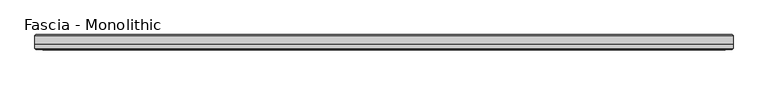
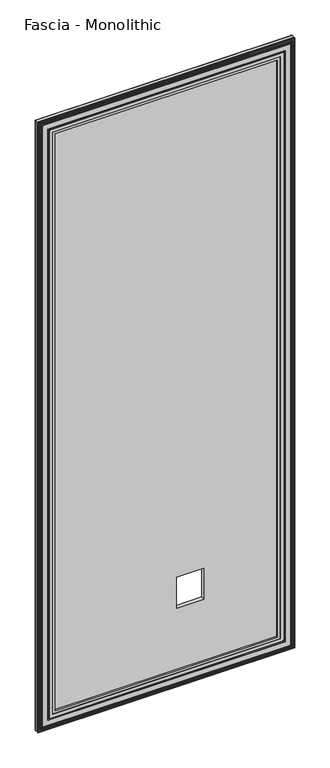
"""IFC4 building model written with IfcOpenShell, lengths in millimetres: proxy geometry, Fascia - Monolithic."""

from ifc_helpers import new_model, si_unit, frame, origin, place, context, project, spatial, ellipse_curve, source, transform, mapped, element, save
from ifc_brep_helpers import plane_surface, cylinder_surface, advanced_brep


def fascia_monolithic_cb484e58(model_context):
    return source(origin(), model_context, "Body", "AdvancedBrep", [
        advanced_brep(
        [(-550.053743, -15.8650077, 46.2434077), (-550.3231506, -16.7386, 45.974), (550.3231506, -16.7386, 45.974), (550.053743, -15.8650077, 46.2434077), (-551.2275583, -14.6911923, 45.0695923), (551.2275583, -14.6911923, 45.0695923), (-544.1409583, -15.8650077, 52.1561923), (-542.967143, -14.6911923, 53.3300077), (542.967143, -14.6911923, 53.3300077), (544.1409583, -15.8650077, 52.1561923), (-543.8715506, -16.7386, 52.4256), (543.8715506, -16.7386, 52.4256), (-527.5901506, -15.5956, 68.707), (-528.3521506, -16.7386, 67.945), (528.3521506, -16.7386, 67.945), (527.5901506, -15.5956, 68.707), (-515.2711506, -8.4836, 81.026), (-515.2711506, -15.5956, 81.026), (515.2711506, -15.5956, 81.026), (515.2711506, -8.4836, 81.026), (-596.2971506, -15.2146, 0.0), (-596.2971506, -8.4836, 0.0), (596.2971506, -8.4836, 0.0), (596.2971506, -15.2146, 0.0), (-594.7731506, -16.7386, 1.524), (594.7731506, -16.7386, 1.524), (-592.725743, -15.8650077, 3.5714077), (-592.9951506, -16.7386, 3.302), (592.9951506, -16.7386, 3.302), (592.725743, -15.8650077, 3.5714077), (-593.8995583, -14.6911923, 2.3975923), (593.8995583, -14.6911923, 2.3975923), (-586.8129583, -15.8650077, 9.4841923), (-585.639143, -14.6911923, 10.6580077), (585.639143, -14.6911923, 10.6580077), (586.8129583, -15.8650077, 9.4841923), (-586.5435506, -16.7386, 9.7536), (586.5435506, -16.7386, 9.7536), (-581.6540506, -16.7386, 14.6431), (-583.1780506, -16.7386, 13.1191), (583.1780506, -16.7386, 13.1191), (581.6540506, -16.7386, 14.6431), (-575.6850506, -16.7386, 20.6121), (-578.0980506, -16.7386, 18.1991), (578.0980506, -16.7386, 18.1991), (575.6850506, -16.7386, 20.6121), (550.3231506, -16.7386, 2946.7494), (550.053743, -15.8650077, 2946.4799923), (551.2275583, -14.6911923, 2947.6538077), (542.967143, -14.6911923, 2939.3933923), (544.1409583, -15.8650077, 2940.5672077), (543.8715506, -16.7386, 2940.2978), (528.3521506, -16.7386, 2924.7784), (527.5901506, -15.5956, 2924.0164), (515.2711506, -15.5956, 2911.6974), (515.2711506, -8.4836, 2911.6974), (596.2971506, -8.4836, 2992.7234), (596.2971506, -15.2146, 2992.7234), (594.7731506, -16.7386, 2991.1994), (592.9951506, -16.7386, 2989.4214), (592.725743, -15.8650077, 2989.1519923), (593.8995583, -14.6911923, 2990.3258077), (585.639143, -14.6911923, 2982.0653923), (586.8129583, -15.8650077, 2983.2392077), (586.5435506, -16.7386, 2982.9698), (583.1780506, -16.7386, 2979.6043), (581.6540506, -16.7386, 2978.0803), (578.0980506, -16.7386, 2974.5243), (575.6850506, -16.7386, 2972.1113), (-550.3231506, -16.7386, 2946.7494), (-550.053743, -15.8650077, 2946.4799923), (-551.2275583, -14.6911923, 2947.6538077), (-542.967143, -14.6911923, 2939.3933923), (-544.1409583, -15.8650077, 2940.5672077), (-543.8715506, -16.7386, 2940.2978), (-528.3521506, -16.7386, 2924.7784), (-527.5901506, -15.5956, 2924.0164), (-515.2711506, -15.5956, 2911.6974), (-515.2711506, -8.4836, 2911.6974), (-596.2971506, -8.4836, 2992.7234), (-596.2971506, -15.2146, 2992.7234), (-594.7731506, -16.7386, 2991.1994), (-592.9951506, -16.7386, 2989.4214), (-592.725743, -15.8650077, 2989.1519923), (-593.8995583, -14.6911923, 2990.3258077), (-585.639143, -14.6911923, 2982.0653923), (-586.8129583, -15.8650077, 2983.2392077), (-586.5435506, -16.7386, 2982.9698), (-583.1780506, -16.7386, 2979.6043), (-581.6540506, -16.7386, 2978.0803), (-578.0980506, -16.7386, 2974.5243), (-575.6850506, -16.7386, 2972.1113)],
        [
            (0, 1, ellipse_curve(frame((-550.4193353, -16.2306, 45.8778154), z_axis=(0.7071067811865475, 0.0, -0.7071067811865475), x_axis=(-0.7071067811865476, 0.0, -0.7071067811865474)), 0.7311846, 0.5170256)),
            (1, 2),
            (2, 3, ellipse_curve(frame((550.4193353, -16.2306, 45.8778154), z_axis=(-0.7071067811865475, 0.0, -0.7071067811865475), x_axis=(-0.7071067811865476, 0.0, 0.7071067811865474)), 0.7311846, 0.5170256)),
            (3, 0),
            (4, 0),
            (3, 5),
            (5, 4),
            (6, 7),
            (7, 8),
            (8, 9),
            (9, 6),
            (10, 6, ellipse_curve(frame((-543.775366, -16.2306, 52.5217846), z_axis=(0.7071067811865475, 0.0, -0.7071067811865475), x_axis=(-0.7071067811865476, 0.0, -0.7071067811865474)), 0.7311846, 0.5170256)),
            (9, 11, ellipse_curve(frame((543.775366, -16.2306, 52.5217846), z_axis=(-0.7071067811865475, 0.0, -0.7071067811865475), x_axis=(-0.7071067811865476, 0.0, 0.7071067811865474)), 0.7311846, 0.5170256)),
            (11, 10),
            (12, 13),
            (13, 14),
            (14, 15),
            (15, 12),
            (16, 17),
            (17, 18),
            (18, 19),
            (19, 16),
            (20, 21),
            (21, 22),
            (22, 23),
            (23, 20),
            (24, 20),
            (23, 25),
            (25, 24),
            (26, 27, ellipse_curve(frame((-593.0913353, -16.2306, 3.2058154), z_axis=(0.7071067811865475, 0.0, -0.7071067811865475), x_axis=(-0.7071067811865476, 0.0, -0.7071067811865474)), 0.7311846, 0.5170256)),
            (27, 28),
            (28, 29, ellipse_curve(frame((593.0913353, -16.2306, 3.2058154), z_axis=(-0.7071067811865475, 0.0, -0.7071067811865475), x_axis=(-0.7071067811865476, 0.0, 0.7071067811865474)), 0.7311846, 0.5170256)),
            (29, 26),
            (30, 26),
            (29, 31),
            (31, 30),
            (32, 33),
            (33, 34),
            (34, 35),
            (35, 32),
            (36, 32, ellipse_curve(frame((-586.447366, -16.2306, 9.8497846), z_axis=(0.7071067811865475, 0.0, -0.7071067811865475), x_axis=(-0.7071067811865476, 0.0, -0.7071067811865474)), 0.7311846, 0.5170256)),
            (35, 37, ellipse_curve(frame((586.447366, -16.2306, 9.8497846), z_axis=(-0.7071067811865475, 0.0, -0.7071067811865475), x_axis=(-0.7071067811865476, 0.0, 0.7071067811865474)), 0.7311846, 0.5170256)),
            (37, 36),
            (38, 39, ellipse_curve(frame((-582.4160506, -16.7386, 13.8811), z_axis=(0.7071067811865475, 0.0, -0.7071067811865475), x_axis=(-0.7071067811865476, 0.0, -0.7071067811865474)), 1.0776307, 0.762)),
            (39, 40),
            (40, 41, ellipse_curve(frame((582.4160506, -16.7386, 13.8811), z_axis=(-0.7071067811865475, 0.0, -0.7071067811865475), x_axis=(-0.7071067811865476, 0.0, 0.7071067811865474)), 1.0776307, 0.762)),
            (41, 38),
            (42, 43, ellipse_curve(frame((-576.8915506, -16.0202269, 19.4056), z_axis=(0.7071067811865475, 0.0, -0.7071067811865475), x_axis=(-0.7071067811865476, 0.0, -0.7071067811865474)), 1.9858007, 1.4041731)),
            (43, 44),
            (44, 45, ellipse_curve(frame((576.8915506, -16.0202269, 19.4056), z_axis=(-0.7071067811865475, 0.0, -0.7071067811865475), x_axis=(-0.7071067811865476, 0.0, 0.7071067811865474)), 1.9858007, 1.4041731)),
            (45, 42),
            (2, 46),
            (46, 47, ellipse_curve(frame((550.4193353, -16.2306, 2946.8455846), z_axis=(0.7071067811865475, 0.0, -0.7071067811865475), x_axis=(-0.7071067811865474, 0.0, -0.7071067811865476)), 0.7311846, 0.5170256)),
            (47, 3),
            (47, 48),
            (48, 5),
            (8, 49),
            (49, 50),
            (50, 9),
            (50, 51, ellipse_curve(frame((543.775366, -16.2306, 2940.2016154), z_axis=(0.7071067811865475, 0.0, -0.7071067811865475), x_axis=(-0.7071067811865474, 0.0, -0.7071067811865476)), 0.7311846, 0.5170256)),
            (51, 11),
            (14, 52),
            (52, 53),
            (53, 15),
            (18, 54),
            (54, 55),
            (55, 19),
            (22, 56),
            (56, 57),
            (57, 23),
            (57, 58),
            (58, 25),
            (28, 59),
            (59, 60, ellipse_curve(frame((593.0913353, -16.2306, 2989.5175846), z_axis=(0.7071067811865475, 0.0, -0.7071067811865475), x_axis=(-0.7071067811865474, 0.0, -0.7071067811865476)), 0.7311846, 0.5170256)),
            (60, 29),
            (60, 61),
            (61, 31),
            (34, 62),
            (62, 63),
            (63, 35),
            (63, 64, ellipse_curve(frame((586.447366, -16.2306, 2982.8736154), z_axis=(0.7071067811865475, 0.0, -0.7071067811865475), x_axis=(-0.7071067811865474, 0.0, -0.7071067811865476)), 0.7311846, 0.5170256)),
            (64, 37),
            (40, 65),
            (65, 66, ellipse_curve(frame((582.4160506, -16.7386, 2978.8423), z_axis=(0.7071067811865475, 0.0, -0.7071067811865475), x_axis=(-0.7071067811865474, 0.0, -0.7071067811865476)), 1.0776307, 0.762)),
            (66, 41),
            (44, 67),
            (67, 68, ellipse_curve(frame((576.8915506, -16.0202269, 2973.3178), z_axis=(0.7071067811865475, 0.0, -0.7071067811865475), x_axis=(-0.7071067811865474, 0.0, -0.7071067811865476)), 1.9858007, 1.4041731)),
            (68, 45),
            (46, 69),
            (69, 70, ellipse_curve(frame((-550.4193353, -16.2306, 2946.8455846), z_axis=(0.7071067811865475, 0.0, 0.7071067811865475), x_axis=(0.7071067811865476, 0.0, -0.7071067811865474)), 0.7311846, 0.5170256)),
            (70, 47),
            (70, 71),
            (71, 48),
            (49, 72),
            (72, 73),
            (73, 50),
            (73, 74, ellipse_curve(frame((-543.775366, -16.2306, 2940.2016154), z_axis=(0.7071067811865475, 0.0, 0.7071067811865475), x_axis=(0.7071067811865476, 0.0, -0.7071067811865474)), 0.7311846, 0.5170256)),
            (74, 51),
            (52, 75),
            (75, 76),
            (76, 53),
            (54, 77),
            (77, 78),
            (78, 55),
            (56, 79),
            (79, 80),
            (80, 57),
            (80, 81),
            (81, 58),
            (59, 82),
            (82, 83, ellipse_curve(frame((-593.0913353, -16.2306, 2989.5175846), z_axis=(0.7071067811865475, 0.0, 0.7071067811865475), x_axis=(0.7071067811865476, 0.0, -0.7071067811865474)), 0.7311846, 0.5170256)),
            (83, 60),
            (83, 84),
            (84, 61),
            (62, 85),
            (85, 86),
            (86, 63),
            (86, 87, ellipse_curve(frame((-586.447366, -16.2306, 2982.8736154), z_axis=(0.7071067811865475, 0.0, 0.7071067811865475), x_axis=(0.7071067811865476, 0.0, -0.7071067811865474)), 0.7311846, 0.5170256)),
            (87, 64),
            (65, 88),
            (88, 89, ellipse_curve(frame((-582.4160506, -16.7386, 2978.8423), z_axis=(0.7071067811865475, 0.0, 0.7071067811865475), x_axis=(0.7071067811865476, 0.0, -0.7071067811865474)), 1.0776307, 0.762)),
            (89, 66),
            (67, 90),
            (90, 91, ellipse_curve(frame((-576.8915506, -16.0202269, 2973.3178), z_axis=(0.7071067811865475, 0.0, 0.7071067811865475), x_axis=(0.7071067811865476, 0.0, -0.7071067811865474)), 1.9858007, 1.4041731)),
            (91, 68),
            (91, 42),
            (1, 69),
            (0, 70),
            (4, 71),
            (7, 72),
            (6, 73),
            (10, 74),
            (13, 75),
            (12, 76),
            (17, 77),
            (16, 78),
            (21, 79),
            (20, 80),
            (24, 81),
            (27, 82),
            (26, 83),
            (30, 84),
            (33, 85),
            (32, 86),
            (36, 87),
            (39, 88),
            (38, 89),
            (43, 90),
        ],
        [
            cylinder_surface(frame((-596.2971506, -16.2306, 45.8778154), z_axis=(-1.0, 0.0, 0.0), x_axis=(0.0, 0.0, 1.0)), 0.5170256),
            plane_surface(frame((-550.053743, -15.8650077, 46.2434077), z_axis=(0.0, 0.7071067813016592, 0.7071067810714359), x_axis=(1.0, 0.0, 0.0))),
            plane_surface(frame((-542.967143, -14.6911923, 53.3300077), z_axis=(0.0, 0.7071067813016237, -0.7071067810714713), x_axis=(1.0, 0.0, 0.0))),
            cylinder_surface(frame((-596.2971506, -16.2306, 52.5217846), z_axis=(-1.0, 0.0, 0.0), x_axis=(0.0, 0.0, 1.0)), 0.5170256),
            plane_surface(frame((-528.3521506, -16.7386, 67.945), z_axis=(0.0, -0.554700195976685, 0.8320502945035398), x_axis=(1.0, 0.0, 0.0))),
            plane_surface(frame((-515.2711506, -15.5956, 81.026), z_axis=(0.0, 0.0, 1.0), x_axis=(1.0, 0.0, 0.0))),
            plane_surface(frame((-596.2971506, -8.4836, 0.0), z_axis=(0.0, 0.0, -1.0), x_axis=(1.0, 0.0, 0.0))),
            plane_surface(frame((-596.2971506, -15.2146, 0.0), z_axis=(0.0, -0.7071067811865392, -0.7071067811865558), x_axis=(1.0, 0.0, 0.0))),
            cylinder_surface(frame((-596.2971506, -16.2306, 3.2058154), z_axis=(-1.0, 0.0, 0.0), x_axis=(0.0, 0.0, 1.0)), 0.5170256),
            plane_surface(frame((-592.725743, -15.8650077, 3.5714077), z_axis=(0.0, 0.707106781113895, 0.7071067812592001), x_axis=(1.0, 0.0, 0.0))),
            plane_surface(frame((-585.639143, -14.6911923, 10.6580077), z_axis=(0.0, 0.7071067811880475, -0.7071067811850476), x_axis=(1.0, 0.0, 0.0))),
            cylinder_surface(frame((-596.2971506, -16.2306, 9.8497846), z_axis=(-1.0, 0.0, 0.0), x_axis=(0.0, 0.0, 1.0)), 0.5170256),
            cylinder_surface(frame((-596.2971506, -16.7386, 13.8811), z_axis=(-1.0, 0.0, 0.0), x_axis=(0.0, 0.0, 1.0)), 0.762),
            cylinder_surface(frame((-596.2971506, -16.0202269, 19.4056), z_axis=(-1.0, 0.0, 0.0), x_axis=(0.0, 0.0, 1.0)), 1.4041731),
            cylinder_surface(frame((550.4193353, -16.2306, 0.0), z_axis=(0.0, 0.0, -1.0), x_axis=(-1.0, 0.0, 0.0)), 0.5170256),
            plane_surface(frame((550.053743, -15.8650077, 46.2434077), z_axis=(-0.7071067810714261, 0.7071067813016689, 0.0), x_axis=(0.0, 0.0, 1.0))),
            plane_surface(frame((542.967143, -14.6911923, 53.3300077), z_axis=(0.7071067810714811, 0.707106781301614, 0.0), x_axis=(0.0, 0.0, 1.0))),
            cylinder_surface(frame((543.775366, -16.2306, 0.0), z_axis=(0.0, 0.0, -1.0), x_axis=(-1.0, 0.0, 0.0)), 0.5170256),
            plane_surface(frame((528.3521506, -16.7386, 67.945), z_axis=(-0.8320502945035475, -0.5547001959766734, 0.0), x_axis=(0.0, 0.0, 1.0))),
            plane_surface(frame((515.2711506, -15.5956, 81.026), z_axis=(-1.0, 0.0, 0.0), x_axis=(0.0, 0.0, 1.0))),
            plane_surface(frame((596.2971506, -8.4836, 0.0), z_axis=(1.0, 0.0, 0.0), x_axis=(0.0, 0.0, 1.0))),
            plane_surface(frame((596.2971506, -15.2146, 0.0), z_axis=(0.707106781186546, -0.707106781186549, 0.0), x_axis=(0.0, 0.0, 1.0))),
            cylinder_surface(frame((593.0913353, -16.2306, 0.0), z_axis=(0.0, 0.0, -1.0), x_axis=(-1.0, 0.0, 0.0)), 0.5170256),
            plane_surface(frame((592.725743, -15.8650077, 3.5714077), z_axis=(-0.7071067812591904, 0.7071067811139048, 0.0), x_axis=(0.0, 0.0, 1.0))),
            plane_surface(frame((585.639143, -14.6911923, 10.6580077), z_axis=(0.7071067811850573, 0.7071067811880377, 0.0), x_axis=(0.0, 0.0, 1.0))),
            cylinder_surface(frame((586.447366, -16.2306, 0.0), z_axis=(0.0, 0.0, -1.0), x_axis=(-1.0, 0.0, 0.0)), 0.5170256),
            cylinder_surface(frame((582.4160506, -16.7386, 0.0), z_axis=(0.0, 0.0, -1.0), x_axis=(-1.0, 0.0, 0.0)), 0.762),
            cylinder_surface(frame((576.8915506, -16.0202269, 0.0), z_axis=(0.0, 0.0, -1.0), x_axis=(-1.0, 0.0, 0.0)), 1.4041731),
            cylinder_surface(frame((596.2971506, -16.2306, 2946.8455846), z_axis=(1.0, 0.0, 0.0), x_axis=(0.0, 0.0, -1.0)), 0.5170256),
            plane_surface(frame((550.053743, -15.8650077, 2946.4799923), z_axis=(0.0, 0.7071067813016787, -0.7071067810714163), x_axis=(-1.0, 0.0, 0.0))),
            plane_surface(frame((542.967143, -14.6911923, 2939.3933923), z_axis=(0.0, 0.7071067813016042, 0.7071067810714908), x_axis=(-1.0, 0.0, 0.0))),
            cylinder_surface(frame((596.2971506, -16.2306, 2940.2016154), z_axis=(1.0, 0.0, 0.0), x_axis=(0.0, 0.0, -1.0)), 0.5170256),
            plane_surface(frame((528.3521506, -16.7386, 2924.7784), z_axis=(0.0, -0.5547001959766619, -0.8320502945035552), x_axis=(-1.0, 0.0, 0.0))),
            plane_surface(frame((515.2711506, -15.5956, 2911.6974), z_axis=(0.0, 0.0, -1.0), x_axis=(-1.0, 0.0, 0.0))),
            plane_surface(frame((596.2971506, -8.4836, 2992.7234), z_axis=(0.0, 0.0, 1.0), x_axis=(-1.0, 0.0, 0.0))),
            plane_surface(frame((596.2971506, -15.2146, 2992.7234), z_axis=(0.0, -0.7071067811865588, 0.7071067811865362), x_axis=(-1.0, 0.0, 0.0))),
            cylinder_surface(frame((596.2971506, -16.2306, 2989.5175846), z_axis=(1.0, 0.0, 0.0), x_axis=(0.0, 0.0, -1.0)), 0.5170256),
            plane_surface(frame((592.725743, -15.8650077, 2989.1519923), z_axis=(0.0, 0.7071067811139146, -0.7071067812591806), x_axis=(-1.0, 0.0, 0.0))),
            plane_surface(frame((585.639143, -14.6911923, 2982.0653923), z_axis=(0.0, 0.7071067811880279, 0.7071067811850671), x_axis=(-1.0, 0.0, 0.0))),
            cylinder_surface(frame((596.2971506, -16.2306, 2982.8736154), z_axis=(1.0, 0.0, 0.0), x_axis=(0.0, 0.0, -1.0)), 0.5170256),
            cylinder_surface(frame((596.2971506, -16.7386, 2978.8423), z_axis=(1.0, 0.0, 0.0), x_axis=(0.0, 0.0, -1.0)), 0.762),
            cylinder_surface(frame((596.2971506, -16.0202269, 2973.3178), z_axis=(1.0, 0.0, 0.0), x_axis=(0.0, 0.0, -1.0)), 1.4041731),
            plane_surface(frame((-575.6850506, -16.7386, 2972.1113), z_axis=(0.0, -1.0, 0.0), x_axis=(0.0, 0.0, -1.0))),
            cylinder_surface(frame((-550.4193353, -16.2306, 2992.7234), z_axis=(0.0, 0.0, 1.0), x_axis=(1.0, 0.0, 0.0)), 0.5170256),
            plane_surface(frame((-550.053743, -15.8650077, 2946.4799923), z_axis=(0.7071067810714261, 0.7071067813016689, 0.0), x_axis=(0.0, 0.0, -1.0))),
            plane_surface(frame((-551.2275583, -14.6911923, 2947.6538077), z_axis=(0.0, -1.0, 0.0), x_axis=(0.0, 0.0, -1.0))),
            plane_surface(frame((-542.967143, -14.6911923, 2939.3933923), z_axis=(-0.7071067810714811, 0.707106781301614, 0.0), x_axis=(0.0, 0.0, -1.0))),
            cylinder_surface(frame((-543.775366, -16.2306, 2992.7234), z_axis=(0.0, 0.0, 1.0), x_axis=(1.0, 0.0, 0.0)), 0.5170256),
            plane_surface(frame((-543.8715506, -16.7386, 2940.2978), z_axis=(0.0, -1.0, 0.0), x_axis=(0.0, 0.0, -1.0))),
            plane_surface(frame((-528.3521506, -16.7386, 2924.7784), z_axis=(0.8320502945035475, -0.5547001959766734, 0.0), x_axis=(0.0, 0.0, -1.0))),
            plane_surface(frame((-527.5901506, -15.5956, 2924.0164), z_axis=(0.0, -1.0, 0.0), x_axis=(0.0, 0.0, -1.0))),
            plane_surface(frame((-515.2711506, -15.5956, 2911.6974), z_axis=(1.0, 0.0, 0.0), x_axis=(0.0, 0.0, -1.0))),
            plane_surface(frame((-515.2711506, -8.4836, 2911.6974), z_axis=(0.0, 1.0, 0.0), x_axis=(0.0, 0.0, -1.0))),
            plane_surface(frame((-596.2971506, -8.4836, 2992.7234), z_axis=(-1.0, 0.0, 0.0), x_axis=(0.0, 0.0, -1.0))),
            plane_surface(frame((-596.2971506, -15.2146, 2992.7234), z_axis=(-0.707106781186546, -0.707106781186549, 0.0), x_axis=(0.0, 0.0, -1.0))),
            plane_surface(frame((-594.7731506, -16.7386, 2991.1994), z_axis=(0.0, -1.0, 0.0), x_axis=(0.0, 0.0, -1.0))),
            cylinder_surface(frame((-593.0913353, -16.2306, 2992.7234), z_axis=(0.0, 0.0, 1.0), x_axis=(1.0, 0.0, 0.0)), 0.5170256),
            plane_surface(frame((-592.725743, -15.8650077, 2989.1519923), z_axis=(0.7071067812591904, 0.7071067811139048, 0.0), x_axis=(0.0, 0.0, -1.0))),
            plane_surface(frame((-593.8995583, -14.6911923, 2990.3258077), z_axis=(0.0, -1.0, 0.0), x_axis=(0.0, 0.0, -1.0))),
            plane_surface(frame((-585.639143, -14.6911923, 2982.0653923), z_axis=(-0.7071067811850573, 0.7071067811880377, 0.0), x_axis=(0.0, 0.0, -1.0))),
            cylinder_surface(frame((-586.447366, -16.2306, 2992.7234), z_axis=(0.0, 0.0, 1.0), x_axis=(1.0, 0.0, 0.0)), 0.5170256),
            plane_surface(frame((-586.5435506, -16.7386, 2982.9698), z_axis=(0.0, -1.0, 0.0), x_axis=(0.0, 0.0, -1.0))),
            cylinder_surface(frame((-582.4160506, -16.7386, 2992.7234), z_axis=(0.0, 0.0, 1.0), x_axis=(1.0, 0.0, 0.0)), 0.762),
            plane_surface(frame((-581.6540506, -16.7386, 2978.0803), z_axis=(0.0, -1.0, 0.0), x_axis=(0.0, 0.0, -1.0))),
            cylinder_surface(frame((-576.8915506, -16.0202269, 2992.7234), z_axis=(0.0, 0.0, 1.0), x_axis=(1.0, 0.0, 0.0)), 1.4041731),
        ],
        [
            (0, [[1, 2, 3, 4]]),
            (1, [[5, -4, 6, 7]]),
            (2, [[8, 9, 10, 11]]),
            (3, [[12, -11, 13, 14]]),
            (4, [[15, 16, 17, 18]]),
            (5, [[19, 20, 21, 22]]),
            (6, [[23, 24, 25, 26]]),
            (7, [[27, -26, 28, 29]]),
            (8, [[30, 31, 32, 33]]),
            (9, [[34, -33, 35, 36]]),
            (10, [[37, 38, 39, 40]]),
            (11, [[41, -40, 42, 43]]),
            (12, [[44, 45, 46, 47]]),
            (13, [[48, 49, 50, 51]]),
            (14, [[-3, 52, 53, 54]]),
            (15, [[-6, -54, 55, 56]]),
            (16, [[-10, 57, 58, 59]]),
            (17, [[-13, -59, 60, 61]]),
            (18, [[-17, 62, 63, 64]]),
            (19, [[-21, 65, 66, 67]]),
            (20, [[-25, 68, 69, 70]]),
            (21, [[-28, -70, 71, 72]]),
            (22, [[-32, 73, 74, 75]]),
            (23, [[-35, -75, 76, 77]]),
            (24, [[-39, 78, 79, 80]]),
            (25, [[-42, -80, 81, 82]]),
            (26, [[-46, 83, 84, 85]]),
            (27, [[-50, 86, 87, 88]]),
            (28, [[-53, 89, 90, 91]]),
            (29, [[-55, -91, 92, 93]]),
            (30, [[-58, 94, 95, 96]]),
            (31, [[-60, -96, 97, 98]]),
            (32, [[-63, 99, 100, 101]]),
            (33, [[-66, 102, 103, 104]]),
            (34, [[-69, 105, 106, 107]]),
            (35, [[-71, -107, 108, 109]]),
            (36, [[-74, 110, 111, 112]]),
            (37, [[-76, -112, 113, 114]]),
            (38, [[-79, 115, 116, 117]]),
            (39, [[-81, -117, 118, 119]]),
            (40, [[-84, 120, 121, 122]]),
            (41, [[-87, 123, 124, 125]]),
            (42, [[-88, -125, 126, -51], [127, -89, -52, -2]]),
            (43, [[-90, -127, -1, 128]]),
            (44, [[-92, -128, -5, 129]]),
            (45, [[-56, -93, -129, -7], [130, -94, -57, -9]]),
            (46, [[-95, -130, -8, 131]]),
            (47, [[-97, -131, -12, 132]]),
            (48, [[-61, -98, -132, -14], [133, -99, -62, -16]]),
            (49, [[-100, -133, -15, 134]]),
            (50, [[-64, -101, -134, -18], [135, -102, -65, -20]]),
            (51, [[-103, -135, -19, 136]]),
            (52, [[137, -105, -68, -24], [-67, -104, -136, -22]]),
            (53, [[-106, -137, -23, 138]]),
            (54, [[-108, -138, -27, 139]]),
            (55, [[-72, -109, -139, -29], [140, -110, -73, -31]]),
            (56, [[-111, -140, -30, 141]]),
            (57, [[-113, -141, -34, 142]]),
            (58, [[-77, -114, -142, -36], [143, -115, -78, -38]]),
            (59, [[-116, -143, -37, 144]]),
            (60, [[-118, -144, -41, 145]]),
            (61, [[-82, -119, -145, -43], [146, -120, -83, -45]]),
            (62, [[-121, -146, -44, 147]]),
            (63, [[-85, -122, -147, -47], [148, -123, -86, -49]]),
            (64, [[-124, -148, -48, -126]]),
        ],
    ),
        advanced_brep(
        [(-596.2971506, -8.4836, 2992.7234), (596.2971506, -8.4836, 2992.7234), (596.2971506, 6.1862895, 2992.7234), (-596.2971506, 6.1862895, 2992.7234), (596.2971506, -8.4836, 0.0), (-596.2971506, -8.4836, 0.0), (-596.2971506, 6.1862895, 0.0), (596.2971506, 6.1862895, 0.0), (593.9998402, 8.4836, 2.2973105), (-593.9998402, 8.4836, 2.2973105), (-593.9998402, 8.4836, 2990.4260895), (593.9998402, 8.4836, 2990.4260895), (178.3588, 8.4836, 381.0), (178.3588, 8.4836, 533.4), (51.3588, 8.4836, 533.4), (51.3588, 8.4836, 381.0), (178.3588, -8.4836, 533.4), (178.3588, -8.4836, 381.0), (51.3588, -8.4836, 381.0), (51.3588, -8.4836, 533.4)],
        [
            (0, 1),
            (1, 2),
            (2, 3),
            (3, 0),
            (4, 5),
            (5, 6),
            (6, 7),
            (7, 4),
            (8, 9),
            (9, 10),
            (10, 11),
            (11, 8),
            (12, 13),
            (13, 14),
            (14, 15),
            (15, 12),
            (5, 0),
            (3, 6),
            (4, 1),
            (16, 17),
            (17, 18),
            (18, 19),
            (19, 16),
            (7, 2),
            (8, 7, ellipse_curve(frame((593.9998402, 6.1862895, 2.2973105), z_axis=(-0.7071067811865475, 0.0, -0.7071067811865475), x_axis=(0.7071067811865476, 0.0, -0.7071067811865474)), 3.2488876, 2.2973105)),
            (6, 9, ellipse_curve(frame((-593.9998402, 6.1862895, 2.2973105), z_axis=(0.7071067811865475, 0.0, -0.7071067811865475), x_axis=(0.7071067811865476, 0.0, 0.7071067811865474)), 3.2488876, 2.2973105)),
            (11, 2, ellipse_curve(frame((593.9998402, 6.1862895, 2990.4260895), z_axis=(0.7071067811865475, 0.0, -0.7071067811865475), x_axis=(0.7071067811865474, 0.0, 0.7071067811865476)), 3.2488876, 2.2973105)),
            (10, 3, ellipse_curve(frame((-593.9998402, 6.1862895, 2990.4260895), z_axis=(0.7071067811865475, 0.0, 0.7071067811865475), x_axis=(-0.7071067811865476, 0.0, 0.7071067811865474)), 3.2488876, 2.2973105)),
            (12, 17),
            (16, 13),
            (15, 18),
            (14, 19),
        ],
        [
            plane_surface(frame((0.0, 198.5529455, 2992.7234), z_axis=(0.0, 0.0, 1.0), x_axis=(0.0, -1.0, 0.0))),
            plane_surface(frame((0.0, 198.5529455, 0.0), z_axis=(0.0, 0.0, -1.0), x_axis=(0.0, -1.0, 0.0))),
            plane_surface(frame((596.2971506, 8.4836, 2992.7234), z_axis=(0.0, 1.0, 0.0), x_axis=(0.0, 0.0, -1.0))),
            plane_surface(frame((-596.2971506, 8.4836, 2992.7234), z_axis=(-1.0, 0.0, 0.0), x_axis=(0.0, 0.0, -1.0))),
            plane_surface(frame((-596.2971506, -8.4836, 2992.7234), z_axis=(0.0, -1.0, 0.0), x_axis=(0.0, 0.0, -1.0))),
            plane_surface(frame((596.2971506, -8.4836, 2992.7234), z_axis=(1.0, 0.0, 0.0), x_axis=(0.0, 0.0, -1.0))),
            cylinder_surface(frame((-596.2971506, 6.1862895, 2.2973105), z_axis=(1.0, 0.0, 0.0), x_axis=(0.0, -1.0, 0.0)), 2.2973105),
            cylinder_surface(frame((593.9998402, 6.1862895, 0.0), z_axis=(0.0, 0.0, 1.0), x_axis=(0.0, -1.0, 0.0)), 2.2973105),
            cylinder_surface(frame((596.2971506, 6.1862895, 2990.4260895), z_axis=(-1.0, 0.0, 0.0), x_axis=(0.0, -1.0, 0.0)), 2.2973105),
            cylinder_surface(frame((-593.9998402, 6.1862895, 2992.7234), z_axis=(0.0, 0.0, -1.0), x_axis=(0.0, -1.0, 0.0)), 2.2973105),
            plane_surface(frame((178.3588, 8.4836, 533.4), z_axis=(-1.0, 0.0, 0.0), x_axis=(0.0, -1.0, 0.0))),
            plane_surface(frame((178.3588, 8.4836, 381.0), z_axis=(0.0, 0.0, 1.0), x_axis=(0.0, -1.0, 0.0))),
            plane_surface(frame((51.3588, 8.4836, 381.0), z_axis=(1.0, 0.0, 0.0), x_axis=(0.0, -1.0, 0.0))),
            plane_surface(frame((51.3588, 8.4836, 533.4), z_axis=(0.0, 0.0, -1.0), x_axis=(0.0, -1.0, 0.0))),
        ],
        [
            (0, [[1, 2, 3, 4]]),
            (1, [[5, 6, 7, 8]]),
            (2, [[9, 10, 11, 12], [13, 14, 15, 16]]),
            (3, [[17, -4, 18, -6]]),
            (4, [[-1, -17, -5, 19], [20, 21, 22, 23]]),
            (5, [[-19, -8, 24, -2]]),
            (6, [[25, -7, 26, -9]]),
            (7, [[-25, -12, 27, -24]]),
            (8, [[-27, -11, 28, -3]]),
            (9, [[-26, -18, -28, -10]]),
            (10, [[29, -20, 30, -13]]),
            (11, [[-29, -16, 31, -21]]),
            (12, [[-31, -15, 32, -22]]),
            (13, [[-30, -23, -32, -14]]),
        ],
    ),
    ])


if __name__ == "__main__":
    model = new_model("IFC4")
    model_context = context("Model", 3, world=origin())
    ifc_project = project(units=[si_unit("LENGTHUNIT", "METRE", prefix="MILLI")], contexts=[model_context])
    site = spatial("IfcSite", under=ifc_project)
    building = spatial("IfcBuilding", under=site)
    placement = place(None, origin())
    fascia_monolithic_shape = fascia_monolithic_cb484e58(model_context)
    element("IfcBuildingElementProxy", 1, Name="Fascia - Monolithic", ObjectType="Fascia - Monolithic", at=placement, inside=building, context=model_context, shape_type="MappedRepresentation", body=[
        mapped(fascia_monolithic_shape, transform((0.0, 0.0, 0.0), x_axis=(1.0, 0.0, 0.0), y_axis=(0.0, 1.0, 0.0), z_axis=(0.0, 0.0, 1.0))),
    ])
    save(model, "model.ifc")
